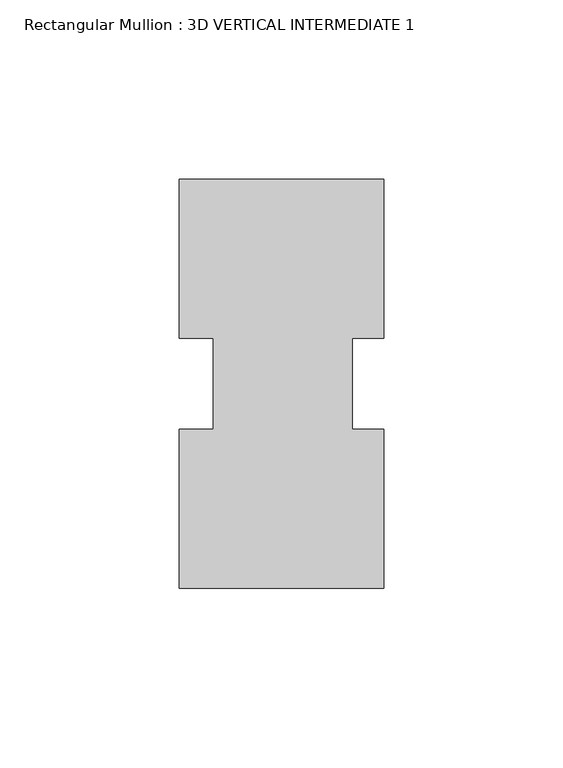
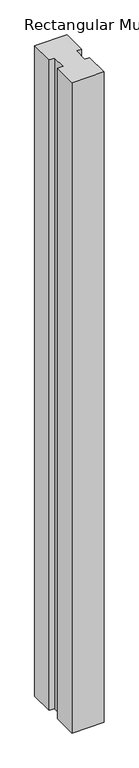
"""IFC4 building model written with IfcOpenShell, lengths in millimetres: member geometry, Rectangular Mullion : 3D VERTICAL INTERMEDIATE 1."""

from ifc_helpers import new_model, si_unit, frame, origin, place, context, project, spatial, polyline, outline, extrude, source, transform, mapped, element, save


def rectangular_mullion_3d_vertical_intermediate_1_8fc5b6c5(model_context):
    return source(origin(), model_context, "Body", "SweptSolid", [
        extrude(outline(polyline([(-31.5706924, 57.161217), (25.5793076, 57.161217), (25.5793076, 12.7438492), (16.8480576, 12.7438492), (16.8480576, -12.7438492), (25.5793076, -12.7438492), (25.5793076, -57.138783), (-31.5706924, -57.138783), (-31.5706924, -12.7438492), (-22.0456924, -12.7438492), (-22.0456924, 12.7438492), (-31.5706924, 12.7438492), (-31.5706924, 57.161217)])), frame((0.0, 0.0, -1219.2), z_axis=(0.0, 0.0, 1.0), x_axis=(1.0, 0.0, 0.0)), (0.0, 0.0, 1.0), 1219.2),
    ])


if __name__ == "__main__":
    model = new_model("IFC4")
    model_context = context("Model", 3, world=origin())
    ifc_project = project(units=[si_unit("LENGTHUNIT", "METRE", prefix="MILLI")], contexts=[model_context])
    site = spatial("IfcSite", under=ifc_project)
    building = spatial("IfcBuilding", under=site)
    placement = place(None, origin())
    rectangular_mullion_3d_vertical_intermediate_1_shape = rectangular_mullion_3d_vertical_intermediate_1_8fc5b6c5(model_context)
    element("IfcMember", 1, ObjectType="Rectangular Mullion : 3D VERTICAL INTERMEDIATE 1", at=placement, inside=building, context=model_context, shape_type="MappedRepresentation", body=[
        mapped(rectangular_mullion_3d_vertical_intermediate_1_shape, transform((0.0, 0.0, 0.0), x_axis=(1.0, 0.0, 0.0), y_axis=(0.0, 1.0, 0.0), z_axis=(0.0, 0.0, 1.0))),
    ])
    save(model, "model.ifc")
